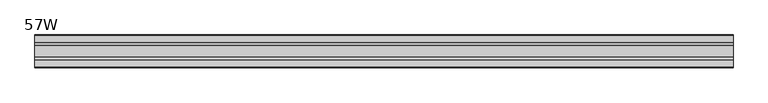
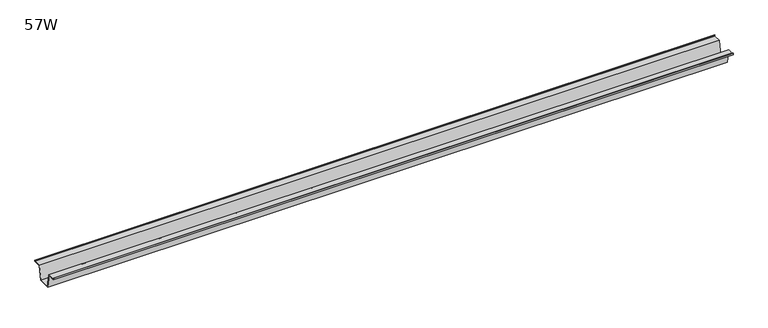
"""IFC4 building model written with IfcOpenShell, lengths in millimetres: furniture geometry, 57W."""

from ifc_helpers import new_model, si_unit, frame, origin, place, context, project, spatial, polyline, outline, extrude, source, transform, mapped, element, save


def furniture_57w_a6593f82(model_context):
    return source(origin(), model_context, "Body", "SweptSolid", [
        extrude(outline(polyline([(-22.9397721, 701.675), (-28.502372, 671.4490007), (-53.9023728, 671.4490007), (-59.4649727, 701.675), (-75.3653716, 701.675), (-75.3653716, 704.85), (-74.5716216, 704.85), (-74.5716216, 702.46875), (-58.8172994, 702.46875), (-53.2546995, 672.2427507), (-29.1500453, 672.2427507), (-23.5874454, 702.46875), (-7.8331232, 702.46875), (-7.8331232, 704.85), (-7.0393732, 704.85), (-7.0393732, 701.675), (-22.9397721, 701.675)])), frame((-728.98, 0.0, 0.0), z_axis=(1.0, 0.0, 0.0), x_axis=(0.0, 1.0, 0.0)), (0.0, 0.0, 1.0), 1457.96),
    ])


if __name__ == "__main__":
    model = new_model("IFC4")
    model_context = context("Model", 3, world=origin())
    ifc_project = project(units=[si_unit("LENGTHUNIT", "METRE", prefix="MILLI")], contexts=[model_context])
    site = spatial("IfcSite", under=ifc_project)
    building = spatial("IfcBuilding", under=site)
    placement = place(None, origin())
    furniture_57w_shape = furniture_57w_a6593f82(model_context)
    element("IfcFurniture", 1, ObjectType="57W", at=placement, inside=building, context=model_context, shape_type="MappedRepresentation", body=[
        mapped(furniture_57w_shape, transform((0.0, 0.0, 0.0), x_axis=(1.0, 0.0, 0.0), y_axis=(0.0, 1.0, 0.0), z_axis=(0.0, 0.0, 1.0))),
    ])
    save(model, "model.ifc")
